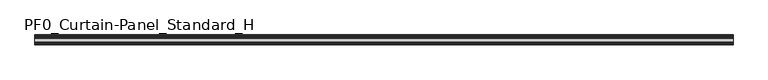
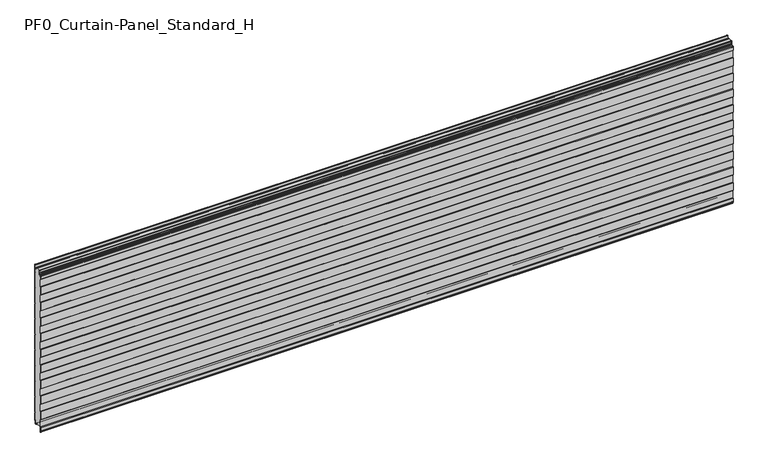
"""IFC4 building model written with IfcOpenShell, lengths in millimetres: plate geometry, PF0_Curtain-Panel_Standard_H."""

from ifc_helpers import new_model, si_unit, point, frame, frame_2d, origin, place, context, project, spatial, polyline, circle_curve, trimmed, segment, composite_curve, outline, extrude, source, transform, mapped, element, save


def pf0_curtain_panel_standard_h_556b1484(model_context):
    return source(origin(), model_context, "Body", "SweptSolid", [
        extrude(outline(composite_curve([segment(polyline([(-50.0, 0.0), (-53.5, 0.0)]), True, "CONTINUOUS"), segment(trimmed(circle_curve(frame_2d((-53.5, -2.0)), 2.0), [point((-53.5, 0.0))], [point((-55.5, -2.0))], True, "CARTESIAN"), True, "CONTINUOUS"), segment(polyline([(-55.5, -2.0), (-55.5, -33.0)]), True, "CONTINUOUS"), segment(trimmed(circle_curve(frame_2d((-56.5, -33.0)), 1.0), [point((-55.5, -33.0))], [point((-57.5, -33.0))], False, "CARTESIAN"), True, "CONTINUOUS"), segment(polyline([(-57.5, -33.0), (-57.5, -26.9)]), True, "CONTINUOUS"), segment(trimmed(circle_curve(frame_2d((-58.4, -26.9)), 0.9), [point((-57.5, -26.9))], [point((-58.4, -26.0))], True, "CARTESIAN"), True, "CONTINUOUS"), segment(trimmed(circle_curve(frame_2d((-58.4, -24.4)), 1.6), [point((-58.4, -26.0))], [point((-60.0, -24.4))], False, "CARTESIAN"), True, "CONTINUOUS"), segment(polyline([(-60.0, -24.4), (-60.0, -0.9952559), (-58.5, 1.6028217), (-58.5, 46.4028193), (-60.0, 49.0008969), (-60.0, 99.0047441), (-58.5, 101.6028217), (-58.5, 146.4028193), (-60.0, 149.0008969), (-60.0, 199.0047441), (-58.5, 201.6028217), (-58.5, 246.4028193), (-60.0, 249.0008969), (-60.0, 299.0047441), (-58.5, 301.6028217), (-58.5, 346.4028193), (-60.0, 349.0008969), (-60.0, 399.0047441), (-58.5, 401.6028217), (-58.5, 446.4028193), (-60.0, 449.0008969), (-60.0, 499.0047441), (-58.5, 501.6028217), (-58.5, 546.4028193), (-60.0, 549.0008969), (-60.0, 599.0047441), (-58.5, 601.6028217), (-58.5, 646.4028193), (-60.0, 649.0008969), (-60.0, 699.0047441), (-58.5, 701.6028217), (-58.5, 746.4028193), (-60.0, 749.0008969), (-60.0, 799.0047441), (-58.5, 801.6028217), (-58.5, 846.4028193), (-60.0, 849.0008969), (-60.0, 899.0047441), (-58.5, 901.6028217), (-58.5, 946.4028193), (-60.0, 949.0008969), (-60.0, 972.168846)]), True, "CONTINUOUS"), segment(trimmed(circle_curve(frame_2d((-59.0, 972.168846)), 1.0), [point((-60.0, 972.168846))], [point((-58.0, 972.168846))], False, "CARTESIAN"), True, "CONTINUOUS"), segment(polyline([(-58.0, 972.168846), (-58.0, 966.168846)]), True, "CONTINUOUS"), segment(trimmed(circle_curve(frame_2d((-56.5, 966.168846)), 1.5), [point((-58.0, 966.168846))], [point((-55.0, 966.168846))], True, "CARTESIAN"), True, "CONTINUOUS"), segment(polyline([(-55.0, 966.168846), (-55.0, 966.9964664)]), True, "CONTINUOUS"), segment(trimmed(circle_curve(frame_2d((-48.8276204, 966.9964664)), 6.1723796), [point((-55.0, 966.9964664))], [point((-48.8276204, 973.168846))], False, "CARTESIAN"), True, "CONTINUOUS"), segment(polyline([(-48.8276204, 973.168846), (-48.0, 973.168846)]), True, "CONTINUOUS"), segment(trimmed(circle_curve(frame_2d((-48.0, 974.168846)), 1.0), [point((-48.0, 973.168846))], [point((-47.0, 974.168846))], True, "CARTESIAN"), True, "CONTINUOUS"), segment(polyline([(-47.0, 974.168846), (-47.0, 980.6688472), (-45.4999999, 982.168846), (-47.0, 983.6688448), (-47.0, 995.568846)]), True, "CONTINUOUS"), segment(trimmed(circle_curve(frame_2d((-44.4, 995.568846)), 2.6), [point((-47.0, 995.568846))], [point((-44.4, 998.168846))], False, "CARTESIAN"), True, "CONTINUOUS"), segment(polyline([(-44.4, 998.168846), (-43.0, 998.168846), (-43.0, 997.368846), (-44.4, 997.368846)]), True, "CONTINUOUS"), segment(trimmed(circle_curve(frame_2d((-44.4, 995.568846)), 1.8), [point((-44.4, 997.368846))], [point((-46.2, 995.568846))], True, "CARTESIAN"), True, "CONTINUOUS"), segment(polyline([(-46.2, 995.568846), (-46.2, 984.0002158), (-44.3686285, 982.168846), (-46.2, 980.3374762), (-46.2, 974.168846)]), True, "CONTINUOUS"), segment(trimmed(circle_curve(frame_2d((-48.0, 974.168846)), 1.8), [point((-46.2, 974.168846))], [point((-48.0, 972.368846))], False, "CARTESIAN"), True, "CONTINUOUS"), segment(polyline([(-48.0, 972.368846), (-48.8276204, 972.368846)]), True, "CONTINUOUS"), segment(trimmed(circle_curve(frame_2d((-48.8276204, 966.9964664)), 5.3723796), [point((-48.8276204, 972.368846))], [point((-54.2, 966.9964664))], True, "CARTESIAN"), True, "CONTINUOUS"), segment(polyline([(-54.2, 966.9964664), (-54.2, 966.168846)]), True, "CONTINUOUS"), segment(trimmed(circle_curve(frame_2d((-56.4, 966.168846)), 2.2), [point((-54.2, 966.168846))], [point((-58.6, 966.168846))], False, "CARTESIAN"), True, "CONTINUOUS"), segment(polyline([(-58.6, 966.168846), (-58.6, 972.0579973)]), True, "CONTINUOUS"), segment(trimmed(circle_curve(frame_2d((-58.9, 972.0579973)), 0.3), [point((-58.6, 972.0579973))], [point((-59.2, 972.0579973))], True, "CARTESIAN"), True, "CONTINUOUS"), segment(polyline([(-59.2, 972.0579973), (-59.2, 949.2152562), (-57.7, 946.6171786), (-57.7, 901.3884624), (-59.2, 898.7903848), (-59.2, 849.2152562), (-57.7, 846.6171786), (-57.7, 801.3884624), (-59.2, 798.7903848), (-59.2, 749.2152562), (-57.7, 746.6171786), (-57.7, 701.3884624), (-59.2, 698.7903848), (-59.2, 649.2152562), (-57.7, 646.6171786), (-57.7, 601.3884624), (-59.2, 598.7903848), (-59.2, 549.2152562), (-57.7, 546.6171786), (-57.7, 501.3884624), (-59.2, 498.7903848), (-59.2, 449.2152562), (-57.7, 446.6171786), (-57.7, 401.3884624), (-59.2, 398.7903848), (-59.2, 349.2152562), (-57.7, 346.6171786), (-57.7, 301.3884624), (-59.2, 298.7903848), (-59.2, 249.2152562), (-57.7, 246.6171786), (-57.7, 201.3884624), (-59.2, 198.7903848), (-59.2, 149.2152562), (-57.7, 146.6171786), (-57.7, 101.3884624), (-59.2, 98.7903848), (-59.2, 49.2152562), (-57.7, 46.6171786), (-57.7, 1.3884624), (-59.2, -1.2096152), (-59.2, -24.4)]), True, "CONTINUOUS"), segment(trimmed(circle_curve(frame_2d((-58.4, -24.4)), 0.8), [point((-59.2, -24.4))], [point((-58.4, -25.2))], True, "CARTESIAN"), True, "CONTINUOUS"), segment(trimmed(circle_curve(frame_2d((-58.6133333, -26.9)), 1.7133333), [point((-58.4, -25.2))], [point((-56.9, -26.9))], False, "CARTESIAN"), True, "CONTINUOUS"), segment(polyline([(-56.9, -26.9), (-56.9, -32.8700312)]), True, "CONTINUOUS"), segment(trimmed(circle_curve(frame_2d((-56.6, -32.8700312)), 0.3), [point((-56.9, -32.8700312))], [point((-56.3, -32.8700312))], True, "CARTESIAN"), True, "CONTINUOUS"), segment(polyline([(-56.3, -32.8700312), (-56.3, -2.0)]), True, "CONTINUOUS"), segment(trimmed(circle_curve(frame_2d((-53.5, -2.0)), 2.8), [point((-56.3, -2.0))], [point((-53.5, 0.8))], False, "CARTESIAN"), True, "CONTINUOUS"), segment(polyline([(-53.5, 0.8), (-50.0, 0.8), (-50.0, 0.0)]), True, "CONTINUOUS")], self_intersect=False)), frame((-2100.0, 0.0, 0.0), z_axis=(1.0, 0.0, 0.0), x_axis=(0.0, 1.0, 0.0)), (0.0, 0.0, 1.0), 4200.0),
        extrude(outline(composite_curve([segment(polyline([(-15.878557, 0.0), (-20.0, 0.0), (-20.0, 0.8), (-15.878557, 0.8)]), True, "CONTINUOUS"), segment(trimmed(circle_curve(frame_2d((-15.878557, -2.0)), 2.8), [point((-15.878557, 0.8))], [point((-13.1503208, -1.370137))], False, "CARTESIAN"), True, "CONTINUOUS"), segment(polyline([(-13.1503208, -1.370137), (-11.728236, -7.529863)]), True, "CONTINUOUS"), segment(trimmed(circle_curve(frame_2d((-9.0, -6.9)), 2.8), [point((-11.728236, -7.529863))], [point((-6.2, -6.9))], True, "CARTESIAN"), True, "CONTINUOUS"), segment(polyline([(-6.2, -6.9), (-6.2, 8.6)]), True, "CONTINUOUS"), segment(trimmed(circle_curve(frame_2d((-3.4, 8.6)), 2.8), [point((-6.2, 8.6))], [point((-3.4, 11.4))], False, "CARTESIAN"), True, "CONTINUOUS"), segment(polyline([(-3.4, 11.4), (-2.0, 11.4)]), True, "CONTINUOUS"), segment(trimmed(circle_curve(frame_2d((-2.0, 12.6)), 1.2), [point((-2.0, 11.4))], [point((-0.8, 12.6))], True, "CARTESIAN"), True, "CONTINUOUS"), segment(polyline([(-0.8, 12.6), (-0.8, 57.6856412), (-2.482606, 60.6), (-0.8, 63.5143588), (-0.8, 157.6856412), (-2.482606, 160.6), (-0.8, 163.5143588), (-0.8, 257.6856412), (-2.482606, 260.6), (-0.8, 263.5143588), (-0.8, 357.6856412), (-2.482606, 360.6), (-0.8, 363.5143588), (-0.8, 457.6856412), (-2.482606, 460.6), (-0.8, 463.5143588), (-0.8, 557.6856412), (-2.482606, 560.6), (-0.8, 563.5143588), (-0.8, 657.6856412), (-2.482606, 660.6), (-0.8, 663.5143588), (-0.8, 757.6856412), (-2.482606, 760.6), (-0.8, 763.5143588), (-0.8, 857.6856412), (-2.482606, 860.6), (-0.8, 863.5143588), (-0.8, 957.6856412), (-2.482606, 960.6), (-0.8, 963.5143588), (-0.8, 1007.268846)]), True, "CONTINUOUS"), segment(trimmed(circle_curve(frame_2d((-2.5, 1007.268846)), 1.7), [point((-0.8, 1007.268846))], [point((-4.2, 1007.268846))], True, "CARTESIAN"), True, "CONTINUOUS"), segment(polyline([(-4.2, 1007.268846), (-4.2, 990.268846)]), True, "CONTINUOUS"), segment(trimmed(circle_curve(frame_2d((-9.0, 990.268846)), 4.8), [point((-4.2, 990.268846))], [point((-13.7270771, 989.4353344))], False, "CARTESIAN"), True, "CONTINUOUS"), segment(polyline([(-13.7270771, 989.4353344), (-14.8636953, 995.8814129)]), True, "CONTINUOUS"), segment(trimmed(circle_curve(frame_2d((-16.6363492, 995.568846)), 1.8), [point((-14.8636953, 995.8814129))], [point((-16.6363492, 997.368846))], True, "CARTESIAN"), True, "CONTINUOUS"), segment(polyline([(-16.6363492, 997.368846), (-20.0, 997.368846), (-20.0, 998.168846), (-16.6363492, 998.168846)]), True, "CONTINUOUS"), segment(trimmed(circle_curve(frame_2d((-16.6363492, 995.568846)), 2.6), [point((-16.6363492, 998.168846))], [point((-14.0758491, 996.0203315))], False, "CARTESIAN"), True, "CONTINUOUS"), segment(polyline([(-14.0758491, 996.0203315), (-12.939231, 989.574253)]), True, "CONTINUOUS"), segment(trimmed(circle_curve(frame_2d((-9.0, 990.268846)), 4.0), [point((-12.939231, 989.574253))], [point((-5.0, 990.268846))], True, "CARTESIAN"), True, "CONTINUOUS"), segment(polyline([(-5.0, 990.268846), (-5.0, 1007.268846)]), True, "CONTINUOUS"), segment(trimmed(circle_curve(frame_2d((-2.5, 1007.268846)), 2.5), [point((-5.0, 1007.268846))], [point((0.0, 1007.268846))], False, "CARTESIAN"), True, "CONTINUOUS"), segment(polyline([(0.0, 1007.268846), (0.0, 963.2999995), (-1.5588455, 960.6), (0.0, 957.9000005), (0.0, 863.2999995), (-1.5588455, 860.6), (0.0, 857.9000005), (0.0, 763.2999995), (-1.5588455, 760.6), (0.0, 757.9000005), (0.0, 663.2999995), (-1.5588455, 660.6), (0.0, 657.9000005), (0.0, 563.2999995), (-1.5588455, 560.6), (0.0, 557.9000005), (0.0, 463.2999995), (-1.5588455, 460.6), (0.0, 457.9000005), (0.0, 363.2999995), (-1.5588455, 360.6), (0.0, 357.9000005), (0.0, 263.2999995), (-1.5588455, 260.6), (0.0, 257.9000005), (0.0, 163.2999995), (-1.5588455, 160.6), (0.0, 157.9000005), (0.0, 63.2999995), (-1.5588455, 60.6), (0.0, 57.9000005), (0.0, 12.6)]), True, "CONTINUOUS"), segment(trimmed(circle_curve(frame_2d((-2.0, 12.6)), 2.0), [point((0.0, 12.6))], [point((-2.0, 10.6))], False, "CARTESIAN"), True, "CONTINUOUS"), segment(polyline([(-2.0, 10.6), (-3.4, 10.6)]), True, "CONTINUOUS"), segment(trimmed(circle_curve(frame_2d((-3.4, 8.6)), 2.0), [point((-3.4, 10.6))], [point((-5.4, 8.6))], True, "CARTESIAN"), True, "CONTINUOUS"), segment(polyline([(-5.4, 8.6), (-5.4, -6.9)]), True, "CONTINUOUS"), segment(trimmed(circle_curve(frame_2d((-9.0, -6.9)), 3.6), [point((-5.4, -6.9))], [point((-12.5077322, -7.7098239))], False, "CARTESIAN"), True, "CONTINUOUS"), segment(polyline([(-12.5077322, -7.7098239), (-13.929817, -1.5500979)]), True, "CONTINUOUS"), segment(trimmed(circle_curve(frame_2d((-15.878557, -2.0)), 2.0), [point((-13.929817, -1.5500979))], [point((-15.878557, 0.0))], True, "CARTESIAN"), True, "CONTINUOUS")], self_intersect=False)), frame((-2100.0, 0.0, 0.0), z_axis=(1.0, 0.0, 0.0), x_axis=(0.0, 1.0, 0.0)), (0.0, 0.0, 1.0), 4200.0),
        extrude(outline(composite_curve([segment(polyline([(-50.0, 0.8), (-53.5, 0.8)]), True, "CONTINUOUS"), segment(trimmed(circle_curve(frame_2d((-53.5, -2.0)), 2.8), [point((-53.5, 0.8))], [point((-56.3, -2.0))], True, "CARTESIAN"), True, "CONTINUOUS"), segment(polyline([(-56.3, -2.0), (-56.3, -32.8700312)]), True, "CONTINUOUS"), segment(trimmed(circle_curve(frame_2d((-56.6, -32.8700312)), 0.3), [point((-56.3, -32.8700312))], [point((-56.9, -32.8700312))], False, "CARTESIAN"), True, "CONTINUOUS"), segment(polyline([(-56.9, -32.8700312), (-56.9, -26.9)]), True, "CONTINUOUS"), segment(trimmed(circle_curve(frame_2d((-58.6133333, -26.9)), 1.7133333), [point((-56.9, -26.9))], [point((-58.4, -25.2))], True, "CARTESIAN"), True, "CONTINUOUS"), segment(trimmed(circle_curve(frame_2d((-58.4, -24.4)), 0.8), [point((-58.4, -25.2))], [point((-59.2, -24.4))], False, "CARTESIAN"), True, "CONTINUOUS"), segment(polyline([(-59.2, -24.4), (-59.2, -1.2096152), (-57.7, 1.3884624), (-57.7, 46.6171786), (-59.2, 49.2152562), (-59.2, 98.7903848), (-57.7, 101.3884624), (-57.7, 146.6171786), (-59.2, 149.2152562), (-59.2, 198.7903848), (-57.7, 201.3884624), (-57.7, 246.6171786), (-59.2, 249.2152562), (-59.2, 298.7903848), (-57.7, 301.3884624), (-57.7, 346.6171786), (-59.2, 349.2152562), (-59.2, 398.7903848), (-57.7, 401.3884624), (-57.7, 446.6171786), (-59.2, 449.2152562), (-59.2, 498.7903848), (-57.7, 501.3884624), (-57.7, 546.6171786), (-59.2, 549.2152562), (-59.2, 598.7903848), (-57.7, 601.3884624), (-57.7, 646.6171786), (-59.2, 649.2152562), (-59.2, 698.7903848), (-57.7, 701.3884624), (-57.7, 746.6171786), (-59.2, 749.2152562), (-59.2, 798.7903848), (-57.7, 801.3884624), (-57.7, 846.6171786), (-59.2, 849.2152562), (-59.2, 898.7903848), (-57.7, 901.3884624), (-57.7, 946.6171786), (-59.2, 949.2152562), (-59.2, 972.0579973)]), True, "CONTINUOUS"), segment(trimmed(circle_curve(frame_2d((-58.9, 972.0579973)), 0.3), [point((-59.2, 972.0579973))], [point((-58.6, 972.0579973))], False, "CARTESIAN"), True, "CONTINUOUS"), segment(polyline([(-58.6, 972.0579973), (-58.6, 966.168846)]), True, "CONTINUOUS"), segment(trimmed(circle_curve(frame_2d((-56.4, 966.168846)), 2.2), [point((-58.6, 966.168846))], [point((-54.2, 966.168846))], True, "CARTESIAN"), True, "CONTINUOUS"), segment(polyline([(-54.2, 966.168846), (-54.2, 966.9964664)]), True, "CONTINUOUS"), segment(trimmed(circle_curve(frame_2d((-48.8276204, 966.9964664)), 5.3723796), [point((-54.2, 966.9964664))], [point((-48.8276204, 972.368846))], False, "CARTESIAN"), True, "CONTINUOUS"), segment(polyline([(-48.8276204, 972.368846), (-48.0, 972.368846)]), True, "CONTINUOUS"), segment(trimmed(circle_curve(frame_2d((-48.0, 974.168846)), 1.8), [point((-48.0, 972.368846))], [point((-46.2, 974.168846))], True, "CARTESIAN"), True, "CONTINUOUS"), segment(polyline([(-46.2, 974.168846), (-46.2, 980.3374762), (-44.3686285, 982.168846), (-46.2, 984.0002158), (-46.2, 995.568846)]), True, "CONTINUOUS"), segment(trimmed(circle_curve(frame_2d((-44.4, 995.568846)), 1.8), [point((-46.2, 995.568846))], [point((-44.4, 997.368846))], False, "CARTESIAN"), True, "CONTINUOUS"), segment(polyline([(-44.4, 997.368846), (-43.0, 997.368846), (-43.0, 998.168846), (-20.0, 998.168846), (-20.0, 997.368846), (-16.6363492, 997.368846)]), True, "CONTINUOUS"), segment(trimmed(circle_curve(frame_2d((-16.6363492, 995.568846)), 1.8), [point((-16.6363492, 997.368846))], [point((-14.8636953, 995.8814129))], False, "CARTESIAN"), True, "CONTINUOUS"), segment(polyline([(-14.8636953, 995.8814129), (-13.7270772, 989.4353344)]), True, "CONTINUOUS"), segment(trimmed(circle_curve(frame_2d((-9.0, 990.268846)), 4.8), [point((-13.7270772, 989.4353344))], [point((-4.2, 990.268846))], True, "CARTESIAN"), True, "CONTINUOUS"), segment(polyline([(-4.2, 990.268846), (-4.2, 1007.268846)]), True, "CONTINUOUS"), segment(trimmed(circle_curve(frame_2d((-2.5, 1007.268846)), 1.7), [point((-4.2, 1007.268846))], [point((-0.8, 1007.268846))], False, "CARTESIAN"), True, "CONTINUOUS"), segment(polyline([(-0.8, 1007.268846), (-0.8, 963.5143588), (-2.482606, 960.6), (-0.8, 957.6856412), (-0.8, 863.5143588), (-2.482606, 860.6), (-0.8, 857.6856412), (-0.8, 763.5143588), (-2.482606, 760.6), (-0.8, 757.6856412), (-0.8, 663.5143588), (-2.482606, 660.6), (-0.8, 657.6856412), (-0.8, 563.5143588), (-2.482606, 560.6), (-0.8, 557.6856412), (-0.8, 463.5143588), (-2.482606, 460.6), (-0.8, 457.6856412), (-0.8, 363.5143588), (-2.482606, 360.6), (-0.8, 357.6856412), (-0.8, 263.5143588), (-2.482606, 260.6), (-0.8, 257.6856412), (-0.8, 163.5143588), (-2.482606, 160.6), (-0.8, 157.6856412), (-0.8, 63.5143588), (-2.482606, 60.6), (-0.8, 57.6856412), (-0.8, 12.6)]), True, "CONTINUOUS"), segment(trimmed(circle_curve(frame_2d((-2.0, 12.6)), 1.2), [point((-0.8, 12.6))], [point((-2.0, 11.4))], False, "CARTESIAN"), True, "CONTINUOUS"), segment(polyline([(-2.0, 11.4), (-3.4, 11.4)]), True, "CONTINUOUS"), segment(trimmed(circle_curve(frame_2d((-3.4, 8.6)), 2.8), [point((-3.4, 11.4))], [point((-6.2, 8.6))], True, "CARTESIAN"), True, "CONTINUOUS"), segment(polyline([(-6.2, 8.6), (-6.2, -6.9)]), True, "CONTINUOUS"), segment(trimmed(circle_curve(frame_2d((-9.0, -6.9)), 2.8), [point((-6.2, -6.9))], [point((-11.7282362, -7.529863))], False, "CARTESIAN"), True, "CONTINUOUS"), segment(polyline([(-11.7282362, -7.529863), (-13.1503208, -1.370137)]), True, "CONTINUOUS"), segment(trimmed(circle_curve(frame_2d((-15.878557, -2.0)), 2.8), [point((-13.1503208, -1.370137))], [point((-15.878557, 0.8))], True, "CARTESIAN"), True, "CONTINUOUS"), segment(polyline([(-15.878557, 0.8), (-20.0, 0.8), (-20.0, 0.0), (-50.0, 0.0), (-50.0, 0.8)]), True, "CONTINUOUS")], self_intersect=False)), frame((-2100.0, 0.0, 0.0), z_axis=(1.0, 0.0, 0.0), x_axis=(0.0, 1.0, 0.0)), (0.0, 0.0, 1.0), 4200.0),
    ])


if __name__ == "__main__":
    model = new_model("IFC4")
    model_context = context("Model", 3, world=origin())
    ifc_project = project(units=[si_unit("LENGTHUNIT", "METRE", prefix="MILLI")], contexts=[model_context])
    site = spatial("IfcSite", under=ifc_project)
    building = spatial("IfcBuilding", under=site)
    placement = place(None, origin())
    pf0_curtain_panel_standard_h_shape = pf0_curtain_panel_standard_h_556b1484(model_context)
    element("IfcPlate", 1, ObjectType="PF0_Curtain-Panel_Standard_H", at=placement, inside=building, context=model_context, shape_type="MappedRepresentation", body=[
        mapped(pf0_curtain_panel_standard_h_shape, transform((0.0, 0.0, 0.0), x_axis=(1.0, 0.0, 0.0), y_axis=(0.0, 1.0, 0.0), z_axis=(0.0, 0.0, 1.0))),
    ])
    save(model, "model.ifc")
